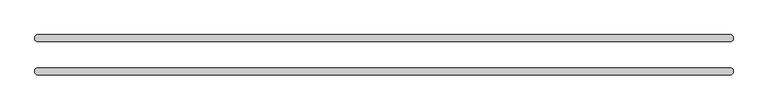
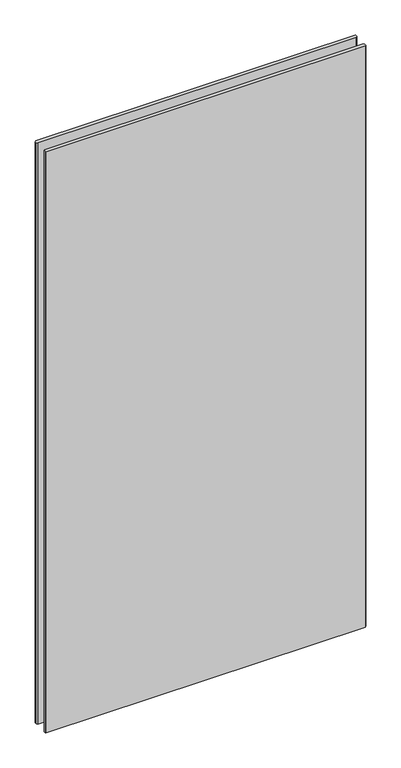
"""IFC4 building model written with IfcOpenShell, lengths in millimetres: plate geometry."""

from ifc_helpers import new_model, si_unit, origin, origin_with_axes, place, context, project, spatial, polyline, outline, extrude, source, transform, mapped, element, save


def plate_288194e4(model_context):
    return source(origin(), model_context, "Body", "SweptSolid", [
        extrude(outline(polyline([(631.03125, -36.5125), (-631.03125, -36.5125), (-634.20625, -33.3375), (-634.20625, -26.9875), (-631.03125, -23.8125), (631.03125, -23.8125), (634.20625, -26.9875), (634.20625, -33.3375), (631.03125, -36.5125)])), origin_with_axes(), (0.0, 0.0, 1.0), 2428.7789267),
        extrude(outline(polyline([(631.03125, 23.8125), (-631.03125, 23.8125), (-634.20625, 26.9875), (-634.20625, 33.3375), (-631.03125, 36.5125), (631.03125, 36.5125), (634.20625, 33.3375), (634.20625, 26.9875), (631.03125, 23.8125)])), origin_with_axes(), (0.0, 0.0, 1.0), 2428.7789267),
    ])


if __name__ == "__main__":
    model = new_model("IFC4")
    model_context = context("Model", 3, world=origin())
    ifc_project = project(units=[si_unit("LENGTHUNIT", "METRE", prefix="MILLI")], contexts=[model_context])
    site = spatial("IfcSite", under=ifc_project)
    building = spatial("IfcBuilding", under=site)
    placement = place(None, origin())
    plate_shape = plate_288194e4(model_context)
    element("IfcPlate", 1, at=placement, inside=building, context=model_context, shape_type="MappedRepresentation", body=[
        mapped(plate_shape, transform((0.0, 0.0, 0.0), x_axis=(1.0, 0.0, 0.0), y_axis=(0.0, 1.0, 0.0), z_axis=(0.0, 0.0, 1.0))),
    ])
    save(model, "model.ifc")
